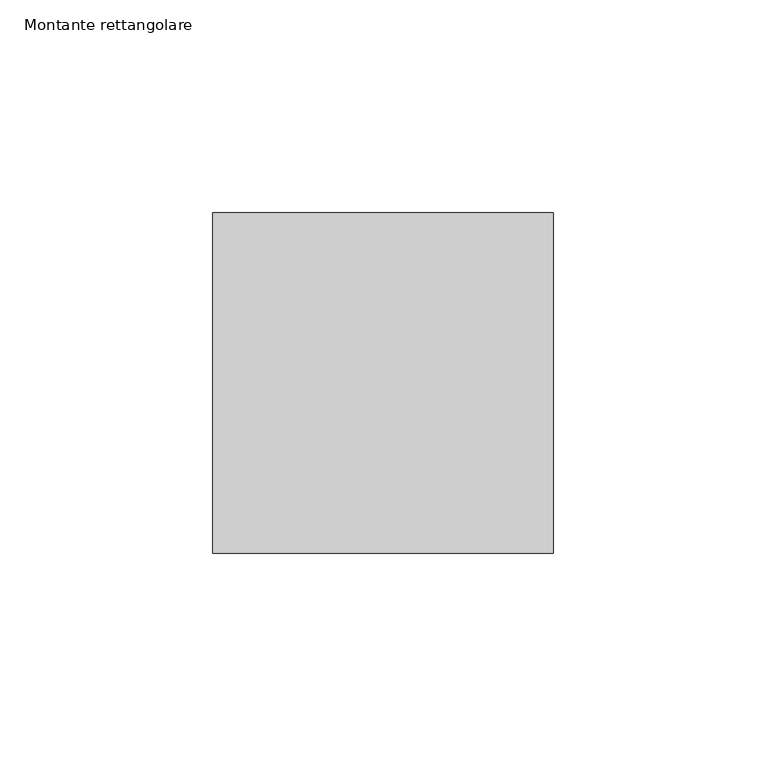
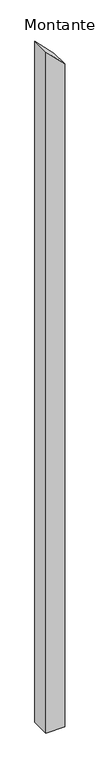
"""IFC4 building model written with IfcOpenShell, lengths in millimetres: member geometry, Montante rettangolare."""

from ifc_helpers import new_model, si_unit, frame, origin, place, context, project, spatial, polyline, outline, extrude, source, transform, mapped, element, save


def montante_rettangolare_36ced3e0(model_context):
    return source(origin(), model_context, "Body", "SweptSolid", [
        extrude(outline(polyline([(-80.1667037, 40.0), (0.1660147, -40.0), (-3019.6797848, -40.0), (-3019.6797848, 40.0), (-80.1667037, 40.0)])), frame((0.0, -40.0, 0.0), z_axis=(0.0, 1.0, 0.0), x_axis=(0.0, 0.0, 1.0)), (0.0, 0.0, 1.0), 80.0),
    ])


if __name__ == "__main__":
    model = new_model("IFC4")
    model_context = context("Model", 3, world=origin())
    ifc_project = project(units=[si_unit("LENGTHUNIT", "METRE", prefix="MILLI")], contexts=[model_context])
    site = spatial("IfcSite", under=ifc_project)
    building = spatial("IfcBuilding", under=site)
    placement = place(None, origin())
    montante_rettangolare_shape = montante_rettangolare_36ced3e0(model_context)
    element("IfcMember", 1, ObjectType="Montante rettangolare", at=placement, inside=building, context=model_context, shape_type="MappedRepresentation", body=[
        mapped(montante_rettangolare_shape, transform((0.0, 0.0, 0.0), x_axis=(1.0, 0.0, 0.0), y_axis=(0.0, 1.0, 0.0), z_axis=(0.0, 0.0, 1.0))),
    ])
    save(model, "model.ifc")
